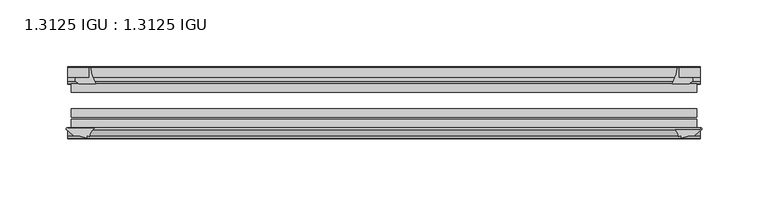
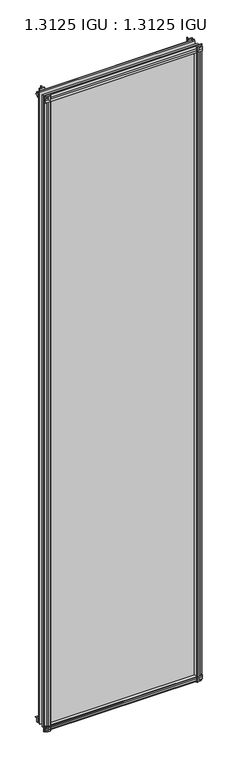
"""IFC4 building model written with IfcOpenShell, lengths in millimetres: plate geometry, 1.3125 IGU : 1.3125 IGU."""

from ifc_helpers import new_model, si_unit, point, frame, frame_2d, origin, place, context, project, spatial, polyline, circle_curve, trimmed, segment, composite_curve, outline, extrude, source, transform, mapped, element, save


def plate_1_3125_igu_1_3125_igu_9635d18b(model_context):
    return source(origin(), model_context, "Body", "SweptSolid", [
        extrude(outline(composite_curve([segment(polyline([(-22.094825, 0.0), (-22.094825, -9.916835)]), True, "CONTINUOUS"), segment(trimmed(circle_curve(frame_2d((-23.669625, -9.916835)), 1.5748), [point((-22.094825, -9.916835))], [point((-24.8706146, -10.9354709))], False, "CARTESIAN"), True, "CONTINUOUS"), segment(polyline([(-24.8706146, -10.9354709), (-26.590625, -8.9075484), (-26.590625, 4.0446407)]), True, "CONTINUOUS"), segment(trimmed(circle_curve(frame_2d((-7.1839113, 38.4138813)), 39.4698015), [point((-26.590625, 4.0446407))], [point((-19.4504626, 0.8985917))], True, "CARTESIAN"), True, "CONTINUOUS"), segment(polyline([(-19.4504626, 0.8985917), (-13.3986538, 0.0), (-22.094825, 0.0)]), True, "CONTINUOUS")], self_intersect=False)), frame((-238.7893096, 0.0, 0.0), z_axis=(1.0, 0.0, 0.0), x_axis=(0.0, 1.0, 0.0)), (0.0, 0.0, 1.0), 477.5786192),
        extrude(outline(composite_curve([segment(trimmed(circle_curve(frame_2d((-67.8737919, 9.6311377)), 10.5748618), [point((-66.062225, -0.7874))], [point((-59.712225, 2.9068141))], True, "CARTESIAN"), True, "CONTINUOUS"), segment(polyline([(-59.712225, 2.9068141), (-59.712225, -18.0442511)]), True, "CONTINUOUS"), segment(trimmed(circle_curve(frame_2d((-60.728225, -18.0442511)), 1.016), [point((-59.712225, -18.0442511))], [point((-61.4950672, -18.7107412))], False, "CARTESIAN"), True, "CONTINUOUS"), segment(polyline([(-61.4950672, -18.7107412), (-66.062225, -13.4559149), (-66.062225, -7.4520336), (-67.637025, -1.5748), (-66.062225, -1.5748), (-66.062225, -0.7874)]), True, "CONTINUOUS")], self_intersect=False)), frame((-238.7893096, 0.0, 0.0), z_axis=(1.0, 0.0, 0.0), x_axis=(0.0, 1.0, 0.0)), (0.0, 0.0, 1.0), 477.5786192),
        extrude(outline(composite_curve([segment(polyline([(-66.062225, 2013.6598774), (-61.4950672, 2018.9147037)]), True, "CONTINUOUS"), segment(trimmed(circle_curve(frame_2d((-60.728225, 2018.2482136)), 1.016), [point((-61.4950672, 2018.9147037))], [point((-59.712225, 2018.2482136))], False, "CARTESIAN"), True, "CONTINUOUS"), segment(polyline([(-59.712225, 2018.2482136), (-59.712225, 1997.7230921)]), True, "CONTINUOUS"), segment(trimmed(circle_curve(frame_2d((-66.4211348, 1992.0932283)), 8.7581298), [point((-59.712225, 1997.7230921))], [point((-66.062225, 2000.8440009))], True, "CARTESIAN"), True, "CONTINUOUS"), segment(polyline([(-66.062225, 2000.8440009), (-66.062225, 2001.7787625), (-67.637025, 2001.7787625), (-66.062225, 2007.6559961), (-66.062225, 2013.6598774)]), True, "CONTINUOUS")], self_intersect=False)), frame((-238.7893096, 0.0, 0.0), z_axis=(1.0, 0.0, 0.0), x_axis=(0.0, 1.0, 0.0)), (0.0, 0.0, 1.0), 477.5786192),
        extrude(outline(composite_curve([segment(polyline([(-26.590625, 1996.1593218), (-26.590625, 2009.1115109), (-24.8706146, 2011.1394334)]), True, "CONTINUOUS"), segment(trimmed(circle_curve(frame_2d((-23.669625, 2010.1207975)), 1.5748), [point((-24.8706146, 2011.1394334))], [point((-22.094825, 2010.1207975))], False, "CARTESIAN"), True, "CONTINUOUS"), segment(polyline([(-22.094825, 2010.1207975), (-22.094825, 2000.25), (-14.5883882, 2000.25), (-18.3240316, 1999.4633459)]), True, "CONTINUOUS"), segment(trimmed(circle_curve(frame_2d((-16.4585419, 1986.834903)), 12.7654855), [point((-18.3240316, 1999.4633459))], [point((-20.5939581, 1998.9119869))], True, "CARTESIAN"), True, "CONTINUOUS"), segment(trimmed(circle_curve(frame_2d((-7.1839113, 1961.7900812)), 39.4698015), [point((-20.5939581, 1998.9119869))], [point((-26.590625, 1996.1593218))], True, "CARTESIAN"), True, "CONTINUOUS")], self_intersect=False)), frame((-238.7893096, 0.0, 0.0), z_axis=(1.0, 0.0, 0.0), x_axis=(0.0, 1.0, 0.0)), (0.0, 0.0, 1.0), 477.5786192),
        extrude(outline(composite_curve([segment(polyline([(230.6283818, -26.590625), (217.6761926, -26.590625)]), True, "CONTINUOUS"), segment(trimmed(circle_curve(frame_2d((183.3069521, -7.1839113)), 39.4698015), [point((217.6761926, -26.590625))], [point((220.8222416, -19.4504626))], True, "CARTESIAN"), True, "CONTINUOUS"), segment(polyline([(220.8222416, -19.4504626), (221.4681167, -15.1006424)]), True, "CONTINUOUS"), segment(trimmed(circle_curve(frame_2d((222.2476021, -15.2120036)), 0.7874), [point((221.4681167, -15.1006424))], [point((222.5145833, -14.4712474))], False, "CARTESIAN"), True, "CONTINUOUS"), segment(polyline([(222.5145833, -14.4712474), (222.5145833, -22.094825), (231.6376683, -22.094825)]), True, "CONTINUOUS"), segment(trimmed(circle_curve(frame_2d((231.6376683, -23.669625)), 1.5748), [point((231.6376683, -22.094825))], [point((232.6563042, -24.8706146))], False, "CARTESIAN"), True, "CONTINUOUS"), segment(polyline([(232.6563042, -24.8706146), (230.6283818, -26.590625)]), True, "CONTINUOUS")], self_intersect=False)), frame((0.0, 0.0, -18.2728511), z_axis=(0.0, 0.0, 1.0), x_axis=(1.0, 0.0, 0.0)), (0.0, 0.0, 1.0), 2037.8352548),
        extrude(outline(composite_curve([segment(polyline([(218.3698081, -59.712225), (238.9302349, -59.712225)]), True, "CONTINUOUS"), segment(trimmed(circle_curve(frame_2d((238.9302349, -60.728225)), 1.016), [point((238.9302349, -59.712225))], [point((239.5967249, -61.4950672))], False, "CARTESIAN"), True, "CONTINUOUS"), segment(polyline([(239.5967249, -61.4950672), (234.3418987, -66.062225), (230.3666669, -66.062225), (224.4894333, -67.637025), (224.4894333, -66.062225), (223.3990777, -66.062225)]), True, "CONTINUOUS"), segment(trimmed(circle_curve(frame_2d((223.3990777, -66.849625)), 0.7874), [point((223.3990777, -66.062225))], [point((222.6213719, -66.7264485))], True, "CARTESIAN"), True, "CONTINUOUS"), segment(trimmed(circle_curve(frame_2d((209.5560553, -69.8501675)), 13.4335445), [point((222.6213719, -66.7264485))], [point((218.3698081, -59.712225))], True, "CARTESIAN"), True, "CONTINUOUS")], self_intersect=False)), frame((0.0, 0.0, -18.2728511), z_axis=(0.0, 0.0, 1.0), x_axis=(1.0, 0.0, 0.0)), (0.0, 0.0, 1.0), 2037.8352548),
        extrude(outline(composite_curve([segment(polyline([(-221.4681167, -15.1006424), (-220.9937017, -18.2957187)]), True, "CONTINUOUS"), segment(trimmed(circle_curve(frame_2d((-208.4314285, -16.4304327)), 12.7), [point((-220.9937017, -18.2957187))], [point((-220.4449569, -20.5493081))], True, "CARTESIAN"), True, "CONTINUOUS"), segment(trimmed(circle_curve(frame_2d((-183.3069521, -7.1839113)), 39.4698015), [point((-220.4449569, -20.5493081))], [point((-217.6761926, -26.590625))], True, "CARTESIAN"), True, "CONTINUOUS"), segment(polyline([(-217.6761926, -26.590625), (-230.6283818, -26.590625), (-232.6563042, -24.8706146)]), True, "CONTINUOUS"), segment(trimmed(circle_curve(frame_2d((-231.6376683, -23.669625)), 1.5748), [point((-232.6563042, -24.8706146))], [point((-231.6376683, -22.094825))], False, "CARTESIAN"), True, "CONTINUOUS"), segment(polyline([(-231.6376683, -22.094825), (-222.4828333, -22.094825), (-222.4828333, -14.4605617)]), True, "CONTINUOUS"), segment(trimmed(circle_curve(frame_2d((-222.2476021, -15.2120036)), 0.7874), [point((-222.4828333, -14.4605617))], [point((-221.4681167, -15.1006424))], False, "CARTESIAN"), True, "CONTINUOUS")], self_intersect=False)), frame((0.0, 0.0, -18.2728511), z_axis=(0.0, 0.0, 1.0), x_axis=(1.0, 0.0, 0.0)), (0.0, 0.0, 1.0), 2038.1847648),
        extrude(outline(composite_curve([segment(trimmed(circle_curve(frame_2d((-209.5560553, -69.8501675)), 13.4335445), [point((-218.3698081, -59.712225))], [point((-222.6213719, -66.7264485))], True, "CARTESIAN"), True, "CONTINUOUS"), segment(trimmed(circle_curve(frame_2d((-223.3990777, -66.849625)), 0.7874), [point((-222.6213719, -66.7264485))], [point((-223.3990777, -66.062225))], True, "CARTESIAN"), True, "CONTINUOUS"), segment(polyline([(-223.3990777, -66.062225), (-224.4894333, -66.062225), (-224.4894333, -67.637025), (-230.3666669, -66.062225), (-234.3418987, -66.062225), (-239.5967249, -61.4950672)]), True, "CONTINUOUS"), segment(trimmed(circle_curve(frame_2d((-238.9302349, -60.728225)), 1.016), [point((-239.5967249, -61.4950672))], [point((-238.9302349, -59.712225))], False, "CARTESIAN"), True, "CONTINUOUS"), segment(polyline([(-238.9302349, -59.712225), (-218.3698081, -59.712225)]), True, "CONTINUOUS")], self_intersect=False)), frame((0.0, 0.0, -18.2728511), z_axis=(0.0, 0.0, 1.0), x_axis=(1.0, 0.0, 0.0)), (0.0, 0.0, 1.0), 2038.1847648),
        extrude(outline(polyline([(-236.0083333, -26.590625), (236.0083333, -26.590625), (236.0083333, -32.889825), (-236.0083333, -32.889825), (-236.0083333, -26.590625)])), frame((0.0, 0.0, -12.8524), z_axis=(0.0, 0.0, 1.0), x_axis=(1.0, 0.0, 0.0)), (0.0, 0.0, 1.0), 2027.3438625),
        extrude(outline(polyline([(236.0083333, -45.589825), (236.0083333, -51.889025), (-236.0083333, -51.889025), (-236.0083333, -45.589825), (236.0083333, -45.589825)])), frame((0.0, 0.0, -12.8524), z_axis=(0.0, 0.0, 1.0), x_axis=(1.0, 0.0, 0.0)), (0.0, 0.0, 1.0), 2027.3438625),
        extrude(outline(polyline([(236.0083333, -53.413025), (236.0083333, -59.712225), (-236.0083333, -59.712225), (-236.0083333, -53.413025), (236.0083333, -53.413025)])), frame((0.0, 0.0, -12.8524), z_axis=(0.0, 0.0, 1.0), x_axis=(1.0, 0.0, 0.0)), (0.0, 0.0, 1.0), 2027.3438625),
    ])


if __name__ == "__main__":
    model = new_model("IFC4")
    model_context = context("Model", 3, world=origin())
    ifc_project = project(units=[si_unit("LENGTHUNIT", "METRE", prefix="MILLI")], contexts=[model_context])
    site = spatial("IfcSite", under=ifc_project)
    building = spatial("IfcBuilding", under=site)
    placement = place(None, origin())
    plate_1_3125_igu_1_3125_igu_shape = plate_1_3125_igu_1_3125_igu_9635d18b(model_context)
    element("IfcPlate", 1, ObjectType="1.3125 IGU : 1.3125 IGU", at=placement, inside=building, context=model_context, shape_type="MappedRepresentation", body=[
        mapped(plate_1_3125_igu_1_3125_igu_shape, transform((0.0, 0.0, 0.0), x_axis=(1.0, 0.0, 0.0), y_axis=(0.0, 1.0, 0.0), z_axis=(0.0, 0.0, 1.0))),
    ])
    save(model, "model.ifc")
